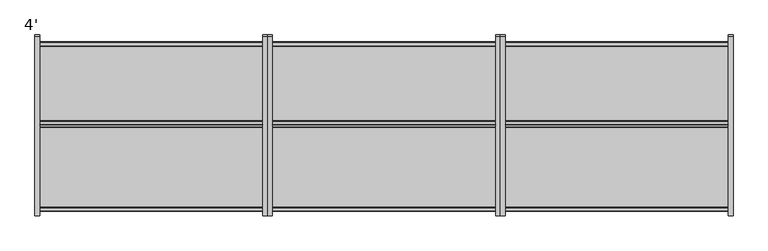
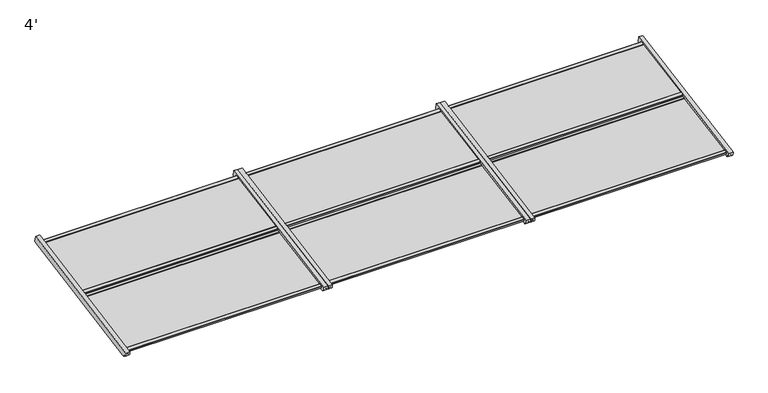
"""IFC4 building model written with IfcOpenShell, lengths in millimetres: proxy geometry, 4'."""

import ifcopenshell
import ifcopenshell.guid

model = None  # the IFC model being written
_history = None  # IfcOwnerHistory: only IFC2X3 demands one
_inside = {}  # id of a spatial element -> (the spatial element, [elements in it])
_under = {}  # id of a project, library or spatial element -> (it, [spatial elements below it])
_declared = {}  # id of a project -> (the project, [libraries it declares])
_typed = {}  # id of a type object -> (the type object, [elements of that type])
_made_of = {}  # id of a material, layer set ... -> (it, [elements and type objects made of it])


def new_model(schema):
    """Start an empty IFC model of exactly this schema.

    Asked for "IFC4X3", IfcOpenShell would pick the latest addendum, in which some entities
    have other attributes; the version numbers below select the first issue.
    IFC2X3 requires an IfcOwnerHistory on every rooted entity: one is made here for all.
    """
    global model, _history
    if schema == "IFC4X3":
        model = ifcopenshell.file(schema_version=(4, 3, 0, 0))
    else:
        model = ifcopenshell.file(schema=schema)
    _inside.clear()
    _under.clear()
    _declared.clear()
    _typed.clear()
    _made_of.clear()
    _history = None
    if model.schema == "IFC2X3":
        org = make("IfcOrganization", Name="unknown")
        user = make(
            "IfcPersonAndOrganization",
            ThePerson=make("IfcPerson", FamilyName="unknown"),
            TheOrganization=org,
        )
        app = make(
            "IfcApplication",
            ApplicationDeveloper=org,
            Version="unknown",
            ApplicationFullName="unknown",
            ApplicationIdentifier="unknown",
        )
        _history = make(
            "IfcOwnerHistory",
            OwningUser=user,
            OwningApplication=app,
            ChangeAction="ADDED",
            CreationDate=0,
        )
    return model


def make(cls, **values):
    """One entity of the class cls with the attributes given. An attribute that is None is left unset."""
    return model.create_entity(
        cls, **{name: value for name, value in values.items() if value is not None}
    )


def rooted(cls, **values):
    """An entity with a GlobalId (a new one), such as an element, a storey or a relation."""
    return make(cls, GlobalId=ifcopenshell.guid.new(), OwnerHistory=_history, **values)


def si_unit(unit_type, name, prefix=None):
    """IfcSIUnit, for example si_unit("LENGTHUNIT", "METRE", prefix="MILLI")."""
    return make("IfcSIUnit", UnitType=unit_type, Prefix=prefix, Name=name)


def assignment(units):
    """IfcUnitAssignment: the units of a project."""
    return None if units is None else make("IfcUnitAssignment", Units=units)


def point(xyz):
    """IfcCartesianPoint."""
    return None if xyz is None else make("IfcCartesianPoint", Coordinates=xyz)


def direction(xyz):
    """IfcDirection."""
    return None if xyz is None else make("IfcDirection", DirectionRatios=xyz)


def frame(location, z_axis=None, x_axis=None):
    """IfcAxis2Placement3D, a coordinate frame: its origin and axes. An axis left out is left unset."""
    return make(
        "IfcAxis2Placement3D",
        Location=point(location),
        Axis=direction(z_axis),
        RefDirection=direction(x_axis),
    )


def frame_2d(location, x_axis=None):
    """IfcAxis2Placement2D, a coordinate frame in the plane: its origin and x axis."""
    return make(
        "IfcAxis2Placement2D", Location=point(location), RefDirection=direction(x_axis)
    )


def origin():
    """The frame at (0, 0, 0) with its axes left unset."""
    return frame((0.0, 0.0, 0.0))


def place(relative_to, where):
    """IfcLocalPlacement: puts the frame where relative to a parent placement (None: the world)."""
    return make(
        "IfcLocalPlacement", PlacementRelTo=relative_to, RelativePlacement=where
    )


def context(
    kind, dimensions, precision=None, world=None, true_north=None, identifier=None
):
    """IfcGeometricRepresentationContext, for example the 3D "Model" context."""
    return make(
        "IfcGeometricRepresentationContext",
        ContextIdentifier=identifier,
        ContextType=kind,
        CoordinateSpaceDimension=dimensions,
        Precision=precision,
        WorldCoordinateSystem=world,
        TrueNorth=true_north,
    )


def project(units=None, contexts=None):
    """IfcProject with its units and contexts."""
    return rooted(
        "IfcProject",
        Name="project",
        RepresentationContexts=contexts,
        UnitsInContext=assignment(units),
    )


def spatial(cls, under=None, at=None, **own):
    """A site, building, storey or space (cls), placed at a placement, below another one or the project."""
    s = rooted(cls, ObjectPlacement=at, **own)
    if under is not None:
        _under.setdefault(under.id(), (under, []))[1].append(s)
    return s


def polyline(points):
    """IfcPolyline through the points."""
    return make("IfcPolyline", Points=[point(p) for p in points])


def circle_curve(where, radius):
    """IfcCircle in the frame where."""
    return make("IfcCircle", Position=where, Radius=radius)


def trimmed(basis, trim1, trim2, sense, master):
    """IfcTrimmedCurve: the piece of a basis curve between two trims."""
    return make(
        "IfcTrimmedCurve",
        BasisCurve=basis,
        Trim1=trim1,
        Trim2=trim2,
        SenseAgreement=sense,
        MasterRepresentation=master,
    )


def segment(curve, same_sense, transition):
    """IfcCompositeCurveSegment."""
    return make(
        "IfcCompositeCurveSegment",
        Transition=transition,
        SameSense=same_sense,
        ParentCurve=curve,
    )


def composite_curve(segments, self_intersect=None):
    """IfcCompositeCurve: segments joined end to end."""
    return make("IfcCompositeCurve", Segments=segments, SelfIntersect=self_intersect)


def outline(outer, holes=None, kind="AREA"):
    """IfcArbitraryClosedProfileDef: a profile drawn as a closed curve; with holes, ...WithVoids."""
    if holes is None:
        return make("IfcArbitraryClosedProfileDef", ProfileType=kind, OuterCurve=outer)
    return make(
        "IfcArbitraryProfileDefWithVoids",
        ProfileType=kind,
        OuterCurve=outer,
        InnerCurves=holes,
    )


def extrude(swept, where, along, depth):
    """IfcExtrudedAreaSolid: the profile swept, set in the frame where, extruded along a direction by depth."""
    return make(
        "IfcExtrudedAreaSolid",
        SweptArea=swept,
        Position=where,
        ExtrudedDirection=direction(along),
        Depth=depth,
    )


def shape(context_of_items, identifier, shape_type, items):
    """IfcShapeRepresentation: the items that make up one representation, for example the "Body"."""
    return make(
        "IfcShapeRepresentation",
        ContextOfItems=context_of_items,
        RepresentationIdentifier=identifier,
        RepresentationType=shape_type,
        Items=items,
    )


def source(mapping_origin, context_of_items, identifier, shape_type, items):
    """IfcRepresentationMap: a shape defined once, which mapped items show again and again."""
    return make(
        "IfcRepresentationMap",
        MappingOrigin=mapping_origin,
        MappedRepresentation=shape(context_of_items, identifier, shape_type, items),
    )


def transform(
    local_origin,
    x_axis=None,
    y_axis=None,
    z_axis=None,
    scale=None,
    scale2=None,
    scale3=None,
    uniform=True,
):
    """IfcCartesianTransformationOperator3D, or its non-uniform kind. x_axis, y_axis, z_axis: its Axis1, 2, 3."""
    if uniform:
        return make(
            "IfcCartesianTransformationOperator3D",
            Axis1=direction(x_axis),
            Axis2=direction(y_axis),
            LocalOrigin=point(local_origin),
            Scale=scale,
            Axis3=direction(z_axis),
        )
    return make(
        "IfcCartesianTransformationOperator3DnonUniform",
        Axis1=direction(x_axis),
        Axis2=direction(y_axis),
        LocalOrigin=point(local_origin),
        Scale=scale,
        Axis3=direction(z_axis),
        Scale2=scale2,
        Scale3=scale3,
    )


def mapped(mapping_source, mapping_target):
    """IfcMappedItem: shows the shape of a source again, moved by a transform."""
    return make(
        "IfcMappedItem", MappingSource=mapping_source, MappingTarget=mapping_target
    )


def made_of(thing, what):
    """Note that an element or type object is made of a material, layer set ...; save() writes the relation."""
    if what is not None:
        _made_of.setdefault(what.id(), (what, []))[1].append(thing)
    return thing


def element(
    cls,
    number,
    at=None,
    inside=None,
    cuts=None,
    type_object=None,
    material=None,
    context=None,
    identifier="Body",
    shape_type=None,
    held_by="IfcProductDefinitionShape",
    body=None,
    shapes=None,
    **own,
):
    """One element of the class cls, such as IfcWall. Its Tag is "e" and its number.

    at: its placement. inside: the storey or other place that contains it. cuts: it is an
    opening in that element (IfcRelVoidsElement). A single representation is given by context,
    identifier, shape_type and body (its items); several are given by shapes. held_by: the class
    of the entity that holds the representations. save() writes the other relations.
    """
    e = rooted(cls, Tag="e%d" % number, ObjectPlacement=at, **own)
    if body is not None:
        shapes = [shape(context, identifier, shape_type, body)]
    if shapes is not None:
        e.Representation = make(held_by, Representations=shapes)
    if inside is not None:
        _inside.setdefault(inside.id(), (inside, []))[1].append(e)
    if cuts is not None:
        rooted(
            "IfcRelVoidsElement", RelatingBuildingElement=cuts, RelatedOpeningElement=e
        )
    if type_object is not None:
        _typed.setdefault(type_object.id(), (type_object, []))[1].append(e)
    return made_of(e, material)


def aggregate(whole, parts):
    """IfcRelAggregates: a whole, such as a stair, and the parts it consists of."""
    return rooted("IfcRelAggregates", RelatingObject=whole, RelatedObjects=parts)


def save(model, path):
    """Write the relations noted so far, then the file.

    IfcRelAggregates (storeys below a building ...), IfcRelContainedInSpatialStructure (elements
    in a storey), IfcRelDefinesByType, IfcRelAssociatesMaterial and IfcRelDeclares: one each for
    every whole, place, type object, material and project.
    """
    for whole, parts in _under.values():
        aggregate(whole, parts)
    for where, things in _inside.values():
        rooted(
            "IfcRelContainedInSpatialStructure",
            RelatedElements=things,
            RelatingStructure=where,
        )
    for kind, things in _typed.values():
        rooted("IfcRelDefinesByType", RelatedObjects=things, RelatingType=kind)
    for what, things in _made_of.values():
        rooted("IfcRelAssociatesMaterial", RelatedObjects=things, RelatingMaterial=what)
    for by, libraries in _declared.values():
        rooted("IfcRelDeclares", RelatingContext=by, RelatedDefinitions=libraries)
    model.write(path)


def proxy_4_028300af(model_context):
    return source(origin(), model_context, "Body", "SweptSolid", [
        extrude(outline(composite_curve([segment(polyline([(-460.0078009, 1144.760431), (-453.5597346, 1109.8516629), (-1371.8753499, 940.2278044)]), True, "CONTINUOUS"), segment(trimmed(circle_curve(frame_2d((-1376.4076957, 964.7651779)), 24.9524519), [point((-1371.8753499, 940.2278044))], [point((-1385.9970672, 941.728928))], False, "CARTESIAN"), True, "CONTINUOUS"), segment(polyline([(-1385.9970672, 941.728928), (-1385.9965361, 947.2523089)]), True, "CONTINUOUS"), segment(trimmed(circle_curve(frame_2d((-1387.5205361, 947.2524554)), 1.524), [point((-1385.9965361, 947.2523089))], [point((-1387.5203895, 948.7764554))], True, "CARTESIAN"), True, "CONTINUOUS"), segment(polyline([(-1387.5203895, 948.7764554), (-1395.5652098, 948.777229)]), True, "CONTINUOUS"), segment(trimmed(circle_curve(frame_2d((-1376.4076957, 964.7651779)), 24.9524519), [point((-1395.5652098, 948.777229))], [point((-1400.5611515, 971.0289973))], False, "CARTESIAN"), True, "CONTINUOUS"), segment(polyline([(-1400.5611515, 971.0289973), (-460.0078009, 1144.760431)]), True, "CONTINUOUS")], self_intersect=False)), frame((3632.2, 0.0, 0.0), z_axis=(1.0, 0.0, 0.0), x_axis=(0.0, 1.0, 0.0)), (0.0, 0.0, 1.0), 25.4),
        extrude(outline(composite_curve([segment(polyline([(-460.0078009, 1144.760431), (-453.5597346, 1109.8516629), (-1371.8753499, 940.2278044)]), True, "CONTINUOUS"), segment(trimmed(circle_curve(frame_2d((-1376.4076957, 964.7651779)), 24.9524519), [point((-1371.8753499, 940.2278044))], [point((-1385.9970672, 941.728928))], False, "CARTESIAN"), True, "CONTINUOUS"), segment(polyline([(-1385.9970672, 941.728928), (-1385.9965361, 947.2523089)]), True, "CONTINUOUS"), segment(trimmed(circle_curve(frame_2d((-1387.5205361, 947.2524554)), 1.524), [point((-1385.9965361, 947.2523089))], [point((-1387.5203895, 948.7764554))], True, "CARTESIAN"), True, "CONTINUOUS"), segment(polyline([(-1387.5203895, 948.7764554), (-1395.5652098, 948.777229)]), True, "CONTINUOUS"), segment(trimmed(circle_curve(frame_2d((-1376.4076957, 964.7651779)), 24.9524519), [point((-1395.5652098, 948.777229))], [point((-1400.5611515, 971.0289973))], False, "CARTESIAN"), True, "CONTINUOUS"), segment(polyline([(-1400.5611515, 971.0289973), (-460.0078009, 1144.760431)]), True, "CONTINUOUS")], self_intersect=False)), frame((2438.4, 0.0, 0.0), z_axis=(1.0, 0.0, 0.0), x_axis=(0.0, 1.0, 0.0)), (0.0, 0.0, 1.0), 25.4),
        extrude(outline(polyline([(-1376.1294622, 962.4138579), (-916.9130423, 1042.9397828), (-916.2992128, 1038.9871618), (-1375.520425, 958.4603964), (-1376.1294622, 962.4138579)])), frame((2463.8, 0.0, 0.0), z_axis=(1.0, 0.0, 0.0), x_axis=(0.0, 1.0, 0.0)), (0.0, 0.0, 1.0), 1168.4),
        extrude(outline(polyline([(-492.2363999, 1130.0139048), (-491.6300654, 1126.0779874), (-922.7032029, 1051.2853065), (-923.3122252, 1055.2386711), (-492.2363999, 1130.0139048)])), frame((2463.8, 0.0, 0.0), z_axis=(1.0, 0.0, 0.0), x_axis=(0.0, 1.0, 0.0)), (0.0, 0.0, 1.0), 1168.4),
        extrude(outline(composite_curve([segment(polyline([(-917.1527086, 1043.1239377), (-937.8474263, 1039.5341925), (-938.0586892, 1040.9055696)]), True, "CONTINUOUS"), segment(trimmed(circle_curve(frame_2d((-936.0820068, 1041.2100807)), 2.0), [point((-938.0586892, 1040.9055696))], [point((-936.386518, 1043.1867631))], False, "CARTESIAN"), True, "CONTINUOUS"), segment(polyline([(-936.386518, 1043.1867631), (-917.6080367, 1046.0796187)]), True, "CONTINUOUS"), segment(trimmed(circle_curve(frame_2d((-917.3035255, 1044.1029357)), 2.0000007), [point((-917.6080367, 1046.0796187))], [point((-915.3268425, 1044.407447))], False, "CARTESIAN"), True, "CONTINUOUS"), segment(polyline([(-915.3268425, 1044.407447), (-914.1087981, 1036.5007184), (-930.4164272, 1033.9885015), (-930.8354949, 1036.7088084), (-916.546374, 1039.1880203), (-917.1527086, 1043.1239377)]), True, "CONTINUOUS")], self_intersect=False)), frame((2463.8, 0.0, 0.0), z_axis=(1.0, 0.0, 0.0), x_axis=(0.0, 1.0, 0.0)), (0.0, 0.0, 1.0), 1168.4),
        extrude(outline(composite_curve([segment(polyline([(-1376.1301067, 962.4180416), (-1375.5210844, 958.464677), (-1361.2319636, 960.9438889), (-1360.7333709, 957.7073593), (-1377.041, 955.1951424), (-1378.2590444, 963.101871)]), True, "CONTINUOUS"), segment(trimmed(circle_curve(frame_2d((-1376.2823614, 963.4063822)), 2.0000007), [point((-1378.2590444, 963.101871))], [point((-1376.5868727, 965.3830652))], False, "CARTESIAN"), True, "CONTINUOUS"), segment(polyline([(-1376.5868727, 965.3830652), (-1357.8083921, 968.2759208)]), True, "CONTINUOUS"), segment(trimmed(circle_curve(frame_2d((-1357.4932469, 966.2302094)), 2.0698434), [point((-1357.8083921, 968.2759208))], [point((-1355.4353889, 966.0077868))], False, "CARTESIAN"), True, "CONTINUOUS"), segment(polyline([(-1355.4353889, 966.0077868), (-1376.1301067, 962.4180416)]), True, "CONTINUOUS")], self_intersect=False)), frame((2463.8, 0.0, 0.0), z_axis=(1.0, 0.0, 0.0), x_axis=(0.0, 1.0, 0.0)), (0.0, 0.0, 1.0), 1168.4),
        extrude(outline(composite_curve([segment(polyline([(-492.2363999, 1130.0139048), (-512.9311177, 1126.4241596), (-513.1423806, 1127.7955367)]), True, "CONTINUOUS"), segment(trimmed(circle_curve(frame_2d((-511.1656982, 1128.1000478)), 2.0), [point((-513.1423806, 1127.7955367))], [point((-511.4702094, 1130.0767302))], False, "CARTESIAN"), True, "CONTINUOUS"), segment(polyline([(-511.4702094, 1130.0767302), (-492.6917281, 1132.9695858)]), True, "CONTINUOUS"), segment(trimmed(circle_curve(frame_2d((-492.3872169, 1130.9929028)), 2.0000007), [point((-492.6917281, 1132.9695858))], [point((-490.4105339, 1131.2974141))], False, "CARTESIAN"), True, "CONTINUOUS"), segment(polyline([(-490.4105339, 1131.2974141), (-489.1924895, 1123.3906855), (-505.5001185, 1120.8784686), (-505.9191862, 1123.5987755), (-491.6300654, 1126.0779874), (-492.2363999, 1130.0139048)]), True, "CONTINUOUS")], self_intersect=False)), frame((2463.8, 0.0, 0.0), z_axis=(1.0, 0.0, 0.0), x_axis=(0.0, 1.0, 0.0)), (0.0, 0.0, 1.0), 1168.4),
        extrude(outline(composite_curve([segment(polyline([(-923.3122252, 1055.2386711), (-922.7032029, 1051.2853065), (-908.4140821, 1053.7645184), (-907.9154895, 1050.5279888), (-924.2231185, 1048.0157719), (-925.441163, 1055.9225005)]), True, "CONTINUOUS"), segment(trimmed(circle_curve(frame_2d((-923.46448, 1056.2270117)), 2.0000007), [point((-925.441163, 1055.9225005))], [point((-923.7689912, 1058.2036947))], False, "CARTESIAN"), True, "CONTINUOUS"), segment(polyline([(-923.7689912, 1058.2036947), (-904.9905106, 1061.0965503)]), True, "CONTINUOUS"), segment(trimmed(circle_curve(frame_2d((-904.6753655, 1059.0508389)), 2.0698434), [point((-904.9905106, 1061.0965503))], [point((-902.6175074, 1058.8284163))], False, "CARTESIAN"), True, "CONTINUOUS"), segment(polyline([(-902.6175074, 1058.8284163), (-923.3122252, 1055.2386711)]), True, "CONTINUOUS")], self_intersect=False)), frame((2463.8, 0.0, 0.0), z_axis=(1.0, 0.0, 0.0), x_axis=(0.0, 1.0, 0.0)), (0.0, 0.0, 1.0), 1168.4),
        extrude(outline(composite_curve([segment(polyline([(-460.0078009, 1144.760431), (-453.5597346, 1109.8516629), (-1371.8753499, 940.2278044)]), True, "CONTINUOUS"), segment(trimmed(circle_curve(frame_2d((-1376.4076957, 964.7651779)), 24.9524519), [point((-1371.8753499, 940.2278044))], [point((-1385.9970672, 941.728928))], False, "CARTESIAN"), True, "CONTINUOUS"), segment(polyline([(-1385.9970672, 941.728928), (-1385.9965361, 947.2523089)]), True, "CONTINUOUS"), segment(trimmed(circle_curve(frame_2d((-1387.5205361, 947.2524554)), 1.524), [point((-1385.9965361, 947.2523089))], [point((-1387.5203895, 948.7764554))], True, "CARTESIAN"), True, "CONTINUOUS"), segment(polyline([(-1387.5203895, 948.7764554), (-1395.5652098, 948.777229)]), True, "CONTINUOUS"), segment(trimmed(circle_curve(frame_2d((-1376.4076957, 964.7651779)), 24.9524519), [point((-1395.5652098, 948.777229))], [point((-1400.5611515, 971.0289973))], False, "CARTESIAN"), True, "CONTINUOUS"), segment(polyline([(-1400.5611515, 971.0289973), (-460.0078009, 1144.760431)]), True, "CONTINUOUS")], self_intersect=False)), frame((2413.0, 0.0, 0.0), z_axis=(1.0, 0.0, 0.0), x_axis=(0.0, 1.0, 0.0)), (0.0, 0.0, 1.0), 25.4),
        extrude(outline(composite_curve([segment(polyline([(-460.0078009, 1144.760431), (-453.5597346, 1109.8516629), (-1371.8753499, 940.2278044)]), True, "CONTINUOUS"), segment(trimmed(circle_curve(frame_2d((-1376.4076957, 964.7651779)), 24.9524519), [point((-1371.8753499, 940.2278044))], [point((-1385.9970672, 941.728928))], False, "CARTESIAN"), True, "CONTINUOUS"), segment(polyline([(-1385.9970672, 941.728928), (-1385.9965361, 947.2523089)]), True, "CONTINUOUS"), segment(trimmed(circle_curve(frame_2d((-1387.5205361, 947.2524554)), 1.524), [point((-1385.9965361, 947.2523089))], [point((-1387.5203895, 948.7764554))], True, "CARTESIAN"), True, "CONTINUOUS"), segment(polyline([(-1387.5203895, 948.7764554), (-1395.5652098, 948.777229)]), True, "CONTINUOUS"), segment(trimmed(circle_curve(frame_2d((-1376.4076957, 964.7651779)), 24.9524519), [point((-1395.5652098, 948.777229))], [point((-1400.5611515, 971.0289973))], False, "CARTESIAN"), True, "CONTINUOUS"), segment(polyline([(-1400.5611515, 971.0289973), (-460.0078009, 1144.760431)]), True, "CONTINUOUS")], self_intersect=False)), frame((1219.2, 0.0, 0.0), z_axis=(1.0, 0.0, 0.0), x_axis=(0.0, 1.0, 0.0)), (0.0, 0.0, 1.0), 25.4),
        extrude(outline(polyline([(-1376.1294622, 962.4138579), (-916.9130423, 1042.9397828), (-916.2992128, 1038.9871618), (-1375.520425, 958.4603964), (-1376.1294622, 962.4138579)])), frame((1244.6, 0.0, 0.0), z_axis=(1.0, 0.0, 0.0), x_axis=(0.0, 1.0, 0.0)), (0.0, 0.0, 1.0), 1168.4),
        extrude(outline(polyline([(-492.2363999, 1130.0139048), (-491.6300654, 1126.0779874), (-922.7032029, 1051.2853065), (-923.3122252, 1055.2386711), (-492.2363999, 1130.0139048)])), frame((1244.6, 0.0, 0.0), z_axis=(1.0, 0.0, 0.0), x_axis=(0.0, 1.0, 0.0)), (0.0, 0.0, 1.0), 1168.4),
        extrude(outline(composite_curve([segment(polyline([(-917.1527086, 1043.1239377), (-937.8474263, 1039.5341925), (-938.0586892, 1040.9055696)]), True, "CONTINUOUS"), segment(trimmed(circle_curve(frame_2d((-936.0820068, 1041.2100807)), 2.0), [point((-938.0586892, 1040.9055696))], [point((-936.386518, 1043.1867631))], False, "CARTESIAN"), True, "CONTINUOUS"), segment(polyline([(-936.386518, 1043.1867631), (-917.6080367, 1046.0796187)]), True, "CONTINUOUS"), segment(trimmed(circle_curve(frame_2d((-917.3035255, 1044.1029357)), 2.0000007), [point((-917.6080367, 1046.0796187))], [point((-915.3268425, 1044.407447))], False, "CARTESIAN"), True, "CONTINUOUS"), segment(polyline([(-915.3268425, 1044.407447), (-914.1087981, 1036.5007184), (-930.4164272, 1033.9885015), (-930.8354949, 1036.7088084), (-916.546374, 1039.1880203), (-917.1527086, 1043.1239377)]), True, "CONTINUOUS")], self_intersect=False)), frame((1244.6, 0.0, 0.0), z_axis=(1.0, 0.0, 0.0), x_axis=(0.0, 1.0, 0.0)), (0.0, 0.0, 1.0), 1168.4),
        extrude(outline(composite_curve([segment(polyline([(-1376.1301067, 962.4180416), (-1375.5210844, 958.464677), (-1361.2319636, 960.9438889), (-1360.7333709, 957.7073593), (-1377.041, 955.1951424), (-1378.2590444, 963.101871)]), True, "CONTINUOUS"), segment(trimmed(circle_curve(frame_2d((-1376.2823614, 963.4063822)), 2.0000007), [point((-1378.2590444, 963.101871))], [point((-1376.5868727, 965.3830652))], False, "CARTESIAN"), True, "CONTINUOUS"), segment(polyline([(-1376.5868727, 965.3830652), (-1357.8083921, 968.2759208)]), True, "CONTINUOUS"), segment(trimmed(circle_curve(frame_2d((-1357.4932469, 966.2302094)), 2.0698434), [point((-1357.8083921, 968.2759208))], [point((-1355.4353889, 966.0077868))], False, "CARTESIAN"), True, "CONTINUOUS"), segment(polyline([(-1355.4353889, 966.0077868), (-1376.1301067, 962.4180416)]), True, "CONTINUOUS")], self_intersect=False)), frame((1244.6, 0.0, 0.0), z_axis=(1.0, 0.0, 0.0), x_axis=(0.0, 1.0, 0.0)), (0.0, 0.0, 1.0), 1168.4),
        extrude(outline(composite_curve([segment(polyline([(-492.2363999, 1130.0139048), (-512.9311177, 1126.4241596), (-513.1423806, 1127.7955367)]), True, "CONTINUOUS"), segment(trimmed(circle_curve(frame_2d((-511.1656982, 1128.1000478)), 2.0), [point((-513.1423806, 1127.7955367))], [point((-511.4702094, 1130.0767302))], False, "CARTESIAN"), True, "CONTINUOUS"), segment(polyline([(-511.4702094, 1130.0767302), (-492.6917281, 1132.9695858)]), True, "CONTINUOUS"), segment(trimmed(circle_curve(frame_2d((-492.3872169, 1130.9929028)), 2.0000007), [point((-492.6917281, 1132.9695858))], [point((-490.4105339, 1131.2974141))], False, "CARTESIAN"), True, "CONTINUOUS"), segment(polyline([(-490.4105339, 1131.2974141), (-489.1924895, 1123.3906855), (-505.5001185, 1120.8784686), (-505.9191862, 1123.5987755), (-491.6300654, 1126.0779874), (-492.2363999, 1130.0139048)]), True, "CONTINUOUS")], self_intersect=False)), frame((1244.6, 0.0, 0.0), z_axis=(1.0, 0.0, 0.0), x_axis=(0.0, 1.0, 0.0)), (0.0, 0.0, 1.0), 1168.4),
        extrude(outline(composite_curve([segment(polyline([(-923.3122252, 1055.2386711), (-922.7032029, 1051.2853065), (-908.4140821, 1053.7645184), (-907.9154895, 1050.5279888), (-924.2231185, 1048.0157719), (-925.441163, 1055.9225005)]), True, "CONTINUOUS"), segment(trimmed(circle_curve(frame_2d((-923.46448, 1056.2270117)), 2.0000007), [point((-925.441163, 1055.9225005))], [point((-923.7689912, 1058.2036947))], False, "CARTESIAN"), True, "CONTINUOUS"), segment(polyline([(-923.7689912, 1058.2036947), (-904.9905106, 1061.0965503)]), True, "CONTINUOUS"), segment(trimmed(circle_curve(frame_2d((-904.6753655, 1059.0508389)), 2.0698434), [point((-904.9905106, 1061.0965503))], [point((-902.6175074, 1058.8284163))], False, "CARTESIAN"), True, "CONTINUOUS"), segment(polyline([(-902.6175074, 1058.8284163), (-923.3122252, 1055.2386711)]), True, "CONTINUOUS")], self_intersect=False)), frame((1244.6, 0.0, 0.0), z_axis=(1.0, 0.0, 0.0), x_axis=(0.0, 1.0, 0.0)), (0.0, 0.0, 1.0), 1168.4),
        extrude(outline(composite_curve([segment(polyline([(-460.0078009, 1144.760431), (-453.5597346, 1109.8516629), (-1371.8753499, 940.2278044)]), True, "CONTINUOUS"), segment(trimmed(circle_curve(frame_2d((-1376.4076957, 964.7651779)), 24.9524519), [point((-1371.8753499, 940.2278044))], [point((-1385.9970672, 941.728928))], False, "CARTESIAN"), True, "CONTINUOUS"), segment(polyline([(-1385.9970672, 941.728928), (-1385.9965361, 947.2523089)]), True, "CONTINUOUS"), segment(trimmed(circle_curve(frame_2d((-1387.5205361, 947.2524554)), 1.524), [point((-1385.9965361, 947.2523089))], [point((-1387.5203895, 948.7764554))], True, "CARTESIAN"), True, "CONTINUOUS"), segment(polyline([(-1387.5203895, 948.7764554), (-1395.5652098, 948.777229)]), True, "CONTINUOUS"), segment(trimmed(circle_curve(frame_2d((-1376.4076957, 964.7651779)), 24.9524519), [point((-1395.5652098, 948.777229))], [point((-1400.5611515, 971.0289973))], False, "CARTESIAN"), True, "CONTINUOUS"), segment(polyline([(-1400.5611515, 971.0289973), (-460.0078009, 1144.760431)]), True, "CONTINUOUS")], self_intersect=False)), frame((1193.8, 0.0, 0.0), z_axis=(1.0, 0.0, 0.0), x_axis=(0.0, 1.0, 0.0)), (0.0, 0.0, 1.0), 25.4),
        extrude(outline(composite_curve([segment(polyline([(-460.0078009, 1144.760431), (-453.5597346, 1109.8516629), (-1371.8753499, 940.2278044)]), True, "CONTINUOUS"), segment(trimmed(circle_curve(frame_2d((-1376.4076957, 964.7651779)), 24.9524519), [point((-1371.8753499, 940.2278044))], [point((-1385.9970672, 941.728928))], False, "CARTESIAN"), True, "CONTINUOUS"), segment(polyline([(-1385.9970672, 941.728928), (-1385.9965361, 947.2523089)]), True, "CONTINUOUS"), segment(trimmed(circle_curve(frame_2d((-1387.5205361, 947.2524554)), 1.524), [point((-1385.9965361, 947.2523089))], [point((-1387.5203895, 948.7764554))], True, "CARTESIAN"), True, "CONTINUOUS"), segment(polyline([(-1387.5203895, 948.7764554), (-1395.5652098, 948.777229)]), True, "CONTINUOUS"), segment(trimmed(circle_curve(frame_2d((-1376.4076957, 964.7651779)), 24.9524519), [point((-1395.5652098, 948.777229))], [point((-1400.5611515, 971.0289973))], False, "CARTESIAN"), True, "CONTINUOUS"), segment(polyline([(-1400.5611515, 971.0289973), (-460.0078009, 1144.760431)]), True, "CONTINUOUS")], self_intersect=False)), frame((0.0, 0.0, 0.0), z_axis=(1.0, 0.0, 0.0), x_axis=(0.0, 1.0, 0.0)), (0.0, 0.0, 1.0), 25.4),
        extrude(outline(polyline([(-1376.1294622, 962.4138579), (-916.9130423, 1042.9397828), (-916.2992128, 1038.9871618), (-1375.520425, 958.4603964), (-1376.1294622, 962.4138579)])), frame((25.4, 0.0, 0.0), z_axis=(1.0, 0.0, 0.0), x_axis=(0.0, 1.0, 0.0)), (0.0, 0.0, 1.0), 1168.4),
        extrude(outline(polyline([(-492.2363999, 1130.0139048), (-491.6300654, 1126.0779874), (-922.7032029, 1051.2853065), (-923.3122252, 1055.2386711), (-492.2363999, 1130.0139048)])), frame((25.4, 0.0, 0.0), z_axis=(1.0, 0.0, 0.0), x_axis=(0.0, 1.0, 0.0)), (0.0, 0.0, 1.0), 1168.4),
        extrude(outline(composite_curve([segment(polyline([(-917.1527086, 1043.1239377), (-937.8474263, 1039.5341925), (-938.0586892, 1040.9055696)]), True, "CONTINUOUS"), segment(trimmed(circle_curve(frame_2d((-936.0820068, 1041.2100807)), 2.0), [point((-938.0586892, 1040.9055696))], [point((-936.386518, 1043.1867631))], False, "CARTESIAN"), True, "CONTINUOUS"), segment(polyline([(-936.386518, 1043.1867631), (-917.6080367, 1046.0796187)]), True, "CONTINUOUS"), segment(trimmed(circle_curve(frame_2d((-917.3035255, 1044.1029357)), 2.0000007), [point((-917.6080367, 1046.0796187))], [point((-915.3268425, 1044.407447))], False, "CARTESIAN"), True, "CONTINUOUS"), segment(polyline([(-915.3268425, 1044.407447), (-914.1087981, 1036.5007184), (-930.4164272, 1033.9885015), (-930.8354949, 1036.7088084), (-916.546374, 1039.1880203), (-917.1527086, 1043.1239377)]), True, "CONTINUOUS")], self_intersect=False)), frame((25.4, 0.0, 0.0), z_axis=(1.0, 0.0, 0.0), x_axis=(0.0, 1.0, 0.0)), (0.0, 0.0, 1.0), 1168.4),
        extrude(outline(composite_curve([segment(polyline([(-1376.1301067, 962.4180416), (-1375.5210844, 958.464677), (-1361.2319636, 960.9438889), (-1360.7333709, 957.7073593), (-1377.041, 955.1951424), (-1378.2590444, 963.101871)]), True, "CONTINUOUS"), segment(trimmed(circle_curve(frame_2d((-1376.2823614, 963.4063822)), 2.0000007), [point((-1378.2590444, 963.101871))], [point((-1376.5868727, 965.3830652))], False, "CARTESIAN"), True, "CONTINUOUS"), segment(polyline([(-1376.5868727, 965.3830652), (-1357.8083921, 968.2759208)]), True, "CONTINUOUS"), segment(trimmed(circle_curve(frame_2d((-1357.4932469, 966.2302094)), 2.0698434), [point((-1357.8083921, 968.2759208))], [point((-1355.4353889, 966.0077868))], False, "CARTESIAN"), True, "CONTINUOUS"), segment(polyline([(-1355.4353889, 966.0077868), (-1376.1301067, 962.4180416)]), True, "CONTINUOUS")], self_intersect=False)), frame((25.4, 0.0, 0.0), z_axis=(1.0, 0.0, 0.0), x_axis=(0.0, 1.0, 0.0)), (0.0, 0.0, 1.0), 1168.4),
        extrude(outline(composite_curve([segment(polyline([(-492.2363999, 1130.0139048), (-512.9311177, 1126.4241596), (-513.1423806, 1127.7955367)]), True, "CONTINUOUS"), segment(trimmed(circle_curve(frame_2d((-511.1656982, 1128.1000478)), 2.0), [point((-513.1423806, 1127.7955367))], [point((-511.4702094, 1130.0767302))], False, "CARTESIAN"), True, "CONTINUOUS"), segment(polyline([(-511.4702094, 1130.0767302), (-492.6917281, 1132.9695858)]), True, "CONTINUOUS"), segment(trimmed(circle_curve(frame_2d((-492.3872169, 1130.9929028)), 2.0000007), [point((-492.6917281, 1132.9695858))], [point((-490.4105339, 1131.2974141))], False, "CARTESIAN"), True, "CONTINUOUS"), segment(polyline([(-490.4105339, 1131.2974141), (-489.1924895, 1123.3906855), (-505.5001185, 1120.8784686), (-505.9191862, 1123.5987755), (-491.6300654, 1126.0779874), (-492.2363999, 1130.0139048)]), True, "CONTINUOUS")], self_intersect=False)), frame((25.4, 0.0, 0.0), z_axis=(1.0, 0.0, 0.0), x_axis=(0.0, 1.0, 0.0)), (0.0, 0.0, 1.0), 1168.4),
        extrude(outline(composite_curve([segment(polyline([(-923.3122252, 1055.2386711), (-922.7032029, 1051.2853065), (-908.4140821, 1053.7645184), (-907.9154895, 1050.5279888), (-924.2231185, 1048.0157719), (-925.441163, 1055.9225005)]), True, "CONTINUOUS"), segment(trimmed(circle_curve(frame_2d((-923.46448, 1056.2270117)), 2.0000007), [point((-925.441163, 1055.9225005))], [point((-923.7689912, 1058.2036947))], False, "CARTESIAN"), True, "CONTINUOUS"), segment(polyline([(-923.7689912, 1058.2036947), (-904.9905106, 1061.0965503)]), True, "CONTINUOUS"), segment(trimmed(circle_curve(frame_2d((-904.6753655, 1059.0508389)), 2.0698434), [point((-904.9905106, 1061.0965503))], [point((-902.6175074, 1058.8284163))], False, "CARTESIAN"), True, "CONTINUOUS"), segment(polyline([(-902.6175074, 1058.8284163), (-923.3122252, 1055.2386711)]), True, "CONTINUOUS")], self_intersect=False)), frame((25.4, 0.0, 0.0), z_axis=(1.0, 0.0, 0.0), x_axis=(0.0, 1.0, 0.0)), (0.0, 0.0, 1.0), 1168.4),
    ])


if __name__ == "__main__":
    model = new_model("IFC4")
    model_context = context("Model", 3, world=origin())
    ifc_project = project(units=[si_unit("LENGTHUNIT", "METRE", prefix="MILLI")], contexts=[model_context])
    site = spatial("IfcSite", under=ifc_project)
    building = spatial("IfcBuilding", under=site)
    placement = place(None, origin())
    proxy_4_shape = proxy_4_028300af(model_context)
    element("IfcBuildingElementProxy", 1, Name="4'", ObjectType="4'", at=placement, inside=building, context=model_context, shape_type="MappedRepresentation", body=[
        mapped(proxy_4_shape, transform((0.0, 0.0, 0.0), x_axis=(1.0, 0.0, 0.0), y_axis=(0.0, 1.0, 0.0), z_axis=(0.0, 0.0, 1.0))),
    ])
    save(model, "model.ifc")
